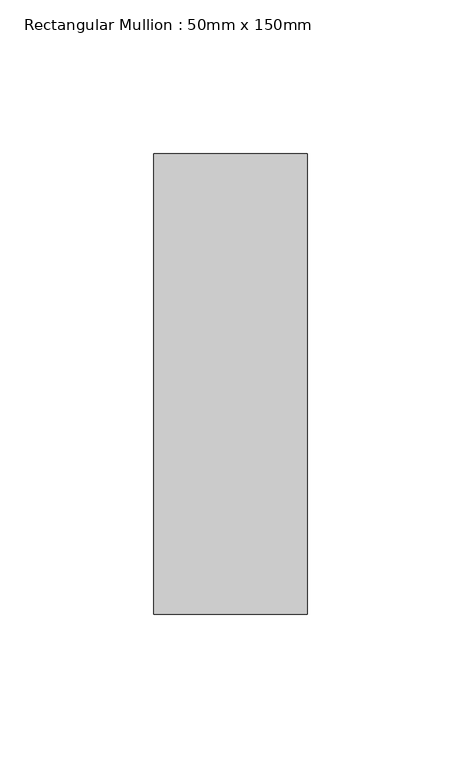
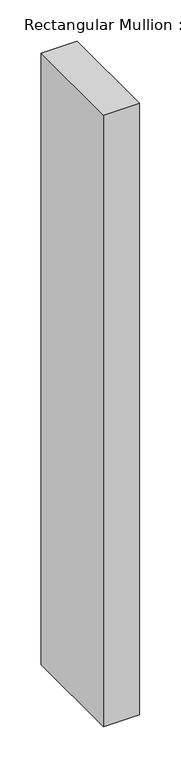
"""IFC4 building model written with IfcOpenShell, lengths in millimetres: member geometry, Rectangular Mullion : 50mm x 150mm."""

from ifc_helpers import new_model, si_unit, frame, origin, place, context, project, spatial, polyline, outline, extrude, source, transform, mapped, element, save


def rectangular_mullion_50mm_x_150mm_35d6a770(model_context):
    return source(origin(), model_context, "Body", "SweptSolid", [
        extrude(outline(polyline([(0.0, 75.0), (0.0, -75.0), (-50.0, -75.0), (-50.0, 75.0), (0.0, 75.0)])), frame((0.0, 0.0, -900.0), z_axis=(0.0, 0.0, 1.0), x_axis=(1.0, 0.0, 0.0)), (0.0, 0.0, 1.0), 900.0),
    ])


if __name__ == "__main__":
    model = new_model("IFC4")
    model_context = context("Model", 3, world=origin())
    ifc_project = project(units=[si_unit("LENGTHUNIT", "METRE", prefix="MILLI")], contexts=[model_context])
    site = spatial("IfcSite", under=ifc_project)
    building = spatial("IfcBuilding", under=site)
    placement = place(None, origin())
    rectangular_mullion_50mm_x_150mm_shape = rectangular_mullion_50mm_x_150mm_35d6a770(model_context)
    element("IfcMember", 1, ObjectType="Rectangular Mullion : 50mm x 150mm", at=placement, inside=building, context=model_context, shape_type="MappedRepresentation", body=[
        mapped(rectangular_mullion_50mm_x_150mm_shape, transform((0.0, 0.0, 0.0), x_axis=(1.0, 0.0, 0.0), y_axis=(0.0, 1.0, 0.0), z_axis=(0.0, 0.0, 1.0))),
    ])
    save(model, "model.ifc")
